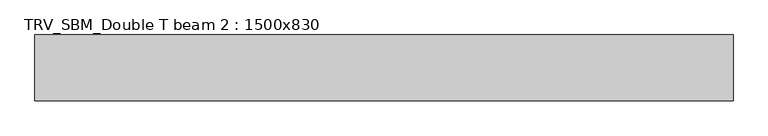
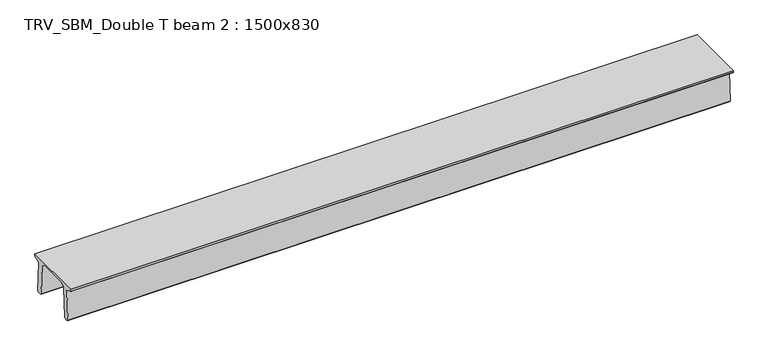
"""IFC4 building model written with IfcOpenShell, lengths in millimetres: beam geometry, TRV_SBM_Double T beam 2 : 1500x830."""

from ifc_helpers import new_model, si_unit, frame, origin, place, context, project, spatial, polyline, outline, extrude, source, transform, mapped, element, save


def trv_sbm_double_t_beam_2_1500x830_ab075425(model_context):
    return source(origin(), model_context, "Body", "SweptSolid", [
        extrude(outline(polyline([(337.4555014, 470.0), (-343.4555014, 470.0), (-456.5828437, 409.8491251), (-494.786332, -340.5206011), (-514.2657308, -360.0), (-604.2657308, -360.0), (-624.8277662, -339.4379646), (-586.9373878, 401.9654693), (-752.8511046, 468.9989621), (-753.0, 475.0), (-753.0, 520.0), (747.0, 520.0), (747.0, 475.0), (746.8511046, 468.9989621), (580.9373878, 401.9654693), (618.8277662, -339.4379646), (598.2657308, -360.0), (508.2657308, -360.0), (488.786332, -340.5206011), (450.5828437, 409.8491251), (337.4555014, 470.0)])), frame((-7960.5, 0.0, 0.0), z_axis=(1.0, 0.0, 0.0), x_axis=(0.0, 1.0, 0.0)), (0.0, 0.0, 1.0), 15921.0),
    ])


if __name__ == "__main__":
    model = new_model("IFC4")
    model_context = context("Model", 3, world=origin())
    ifc_project = project(units=[si_unit("LENGTHUNIT", "METRE", prefix="MILLI")], contexts=[model_context])
    site = spatial("IfcSite", under=ifc_project)
    building = spatial("IfcBuilding", under=site)
    placement = place(None, origin())
    trv_sbm_double_t_beam_2_1500x830_shape = trv_sbm_double_t_beam_2_1500x830_ab075425(model_context)
    element("IfcBeam", 1, ObjectType="TRV_SBM_Double T beam 2 : 1500x830", at=placement, inside=building, context=model_context, shape_type="MappedRepresentation", body=[
        mapped(trv_sbm_double_t_beam_2_1500x830_shape, transform((0.0, 0.0, 0.0), x_axis=(1.0, 0.0, 0.0), y_axis=(0.0, 1.0, 0.0), z_axis=(0.0, 0.0, 1.0))),
    ])
    save(model, "model.ifc")
